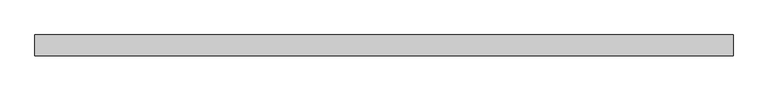
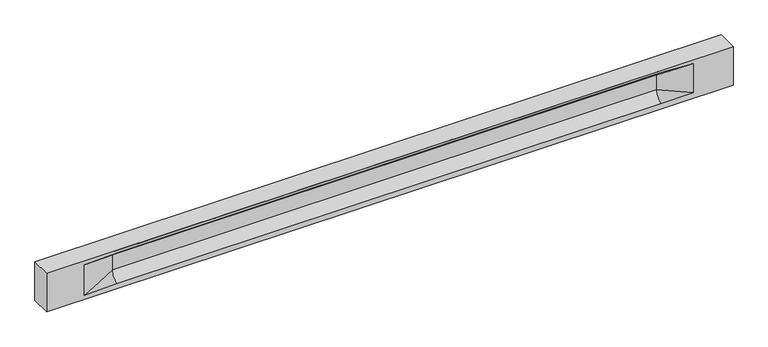
"""IFC4 building model written with IfcOpenShell, lengths in millimetres: beam geometry."""

from ifc_helpers import new_model, si_unit, frame, origin, place, context, project, spatial, polyline, circle_curve, source, transform, mapped, element, save
from ifc_brep_helpers import plane_surface, revolved_surface, spline_surface, advanced_brep


def beam_12b8b677(model_context):
    return source(origin(), model_context, "Body", "AdvancedBrep", [
        advanced_brep(
        [(8437.0, -250.0, 500.0), (8437.0, -250.0, -500.0), (8437.0, 250.0, -500.0), (8437.0, 250.0, 500.0), (-8437.0, -250.0, 500.0), (-8437.0, -250.0, -500.0), (7462.0, -250.0, -362.0), (6662.0, -250.0, -360.0), (-6707.0, -250.0, -360.0), (-7507.0, -250.0, -400.0), (-7507.0, -250.0, 400.0), (-6707.0, -250.0, 435.0), (6662.0, -250.0, 435.0), (7462.0, -250.0, 400.0), (-8437.0, 250.0, -500.0), (-8437.0, 250.0, 500.0), (7462.0, 250.0, 400.0), (6662.0, 250.0, 435.0), (-6707.0, 250.0, 435.0), (-7507.0, 250.0, 400.0), (-7507.0, 250.0, -400.0), (-6707.0, 250.0, -360.0), (6662.0, 250.0, -360.0), (7462.0, 250.0, -362.0), (6662.0, 155.0, 405.0), (-6707.0, 155.0, 405.0), (6662.0, 60.0, 262.777021), (-6707.0, 60.0, 262.777021), (6662.0, 60.0, -120.0), (-6707.0, 60.0, -120.0), (6662.0, -60.0, -120.0), (-6707.0, -60.0, -120.0), (6662.0, -60.0, 262.777021), (-6707.0, -60.0, 262.777021), (6662.0, -155.0, 405.0), (-6707.0, -155.0, 405.0)],
        [
            (0, 1),
            (1, 2),
            (2, 3),
            (3, 0),
            (0, 4),
            (4, 5),
            (5, 1),
            (6, 7),
            (7, 8),
            (8, 9),
            (9, 10),
            (10, 11),
            (11, 12),
            (12, 13),
            (13, 6),
            (5, 14),
            (14, 2),
            (14, 15),
            (15, 3),
            (16, 17),
            (17, 18),
            (18, 19),
            (19, 20),
            (20, 21),
            (21, 22),
            (22, 23),
            (23, 16),
            (15, 4),
            (17, 24),
            (24, 25),
            (25, 18),
            (24, 26, circle_curve(frame((6662.0, 213.9598725, 262.777021), z_axis=(1.0, 0.0, 0.0), x_axis=(0.0, 1.0, 0.0)), 153.9598725)),
            (26, 27),
            (27, 25, circle_curve(frame((-6707.0, 213.9598725, 262.777021), z_axis=(-1.0, 0.0, 0.0), x_axis=(0.0, 1.0, 0.0)), 153.9598725)),
            (26, 28),
            (28, 29),
            (29, 27),
            (28, 22, circle_curve(frame((6662.0, 306.5789474, -120.0), z_axis=(1.0, 0.0, 0.0), x_axis=(0.0, 1.0, 0.0)), 246.5789474)),
            (21, 29, circle_curve(frame((-6707.0, 306.5789474, -120.0), z_axis=(-1.0, 0.0, 0.0), x_axis=(0.0, 1.0, 0.0)), 246.5789474)),
            (7, 30, circle_curve(frame((6662.0, -306.5789474, -120.0), z_axis=(1.0, 0.0, 0.0), x_axis=(0.0, 1.0, 0.0)), 246.5789474)),
            (30, 31),
            (31, 8, circle_curve(frame((-6707.0, -306.5789474, -120.0), z_axis=(-1.0, 0.0, 0.0), x_axis=(0.0, 1.0, 0.0)), 246.5789474)),
            (30, 32),
            (32, 33),
            (33, 31),
            (32, 34, circle_curve(frame((6662.0, -213.9598725, 262.777021), z_axis=(1.0, 0.0, 0.0), x_axis=(0.0, 1.0, 0.0)), 153.9598725)),
            (34, 35),
            (35, 33, circle_curve(frame((-6707.0, -213.9598725, 262.777021), z_axis=(-1.0, 0.0, 0.0), x_axis=(0.0, 1.0, 0.0)), 153.9598725)),
            (34, 12),
            (11, 35),
            (27, 19),
            (19, 25),
            (10, 35),
            (10, 33),
            (9, 31),
            (20, 29),
            (34, 13),
            (32, 13),
            (30, 6),
            (28, 23),
            (26, 16),
            (24, 16),
        ],
        [
            plane_surface(frame((8437.0, 0.0, 0.0), z_axis=(1.0, 0.0, 0.0), x_axis=(0.0, 0.0, 1.0))),
            plane_surface(frame((8437.0, -250.0, 500.0), z_axis=(0.0, -1.0, 0.0), x_axis=(-1.0, 0.0, 0.0))),
            plane_surface(frame((8437.0, -250.0, -500.0), z_axis=(0.0, 0.0, -1.0), x_axis=(-1.0, 0.0, 0.0))),
            plane_surface(frame((8437.0, 250.0, -500.0), z_axis=(0.0, 1.0, 0.0), x_axis=(-1.0, 0.0, 0.0))),
            plane_surface(frame((8437.0, 250.0, 500.0), z_axis=(0.0, 0.0, 1.0), x_axis=(-1.0, 0.0, 0.0))),
            plane_surface(frame((-6707.0, 250.0, 435.0), z_axis=(0.0, 0.30113136793710954, -0.9535826651341378), x_axis=(1.0, 0.0, 0.0))),
            revolved_surface(polyline([(6662.0, 367.919745, 262.777021), (-6707.0, 367.919745, 262.777021)]), (-6707.0, 213.9598725, 262.777021), (1.0, 0.0, 0.0)),
            plane_surface(frame((-6707.0, 60.0, 262.777021), z_axis=(0.0, 1.0, 0.0), x_axis=(1.0, 0.0, 0.0))),
            revolved_surface(polyline([(6662.0, 553.1578948, -120.0), (-6707.0, 553.1578948, -120.0)]), (-6707.0, 306.5789474, -120.0), (1.0, 0.0, 0.0)),
            revolved_surface(polyline([(6662.0, -60.0, -120.0), (-6707.0, -60.0, -120.0)]), (-6707.0, -306.5789474, -120.0), (1.0, 0.0, 0.0)),
            plane_surface(frame((-6707.0, -60.0, -120.0), z_axis=(0.0, -1.0, 0.0), x_axis=(1.0, 0.0, 0.0))),
            revolved_surface(polyline([(6662.0, -60.0, 262.777021), (-6707.0, -60.0, 262.777021)]), (-6707.0, -213.9598725, 262.777021), (1.0, 0.0, 0.0)),
            plane_surface(frame((-6707.0, -155.0, 405.0), z_axis=(0.0, -0.30113136793710693, -0.9535826651341387), x_axis=(1.0, 0.0, 0.0))),
            spline_surface(2, 1, [[(-7507.0, 250.0, 400.0), (-6707.0, 60.0, 262.777021)], [(-7507.0, 250.0, 400.0), (-6707.0, 59.99999995452379, 365.6168572954922)], [(-7507.0, 250.0, 400.0), (-6707.0, 155.0, 405.0)]], [3, 3], [2, 2], [0.0, 1.0], [0.0, 1.0], weights=[[1.0, 1.0], [0.8315515921160737, 0.8315515921160737], [1.0, 1.0]]),
            plane_surface(frame((-7507.0, 250.0, 400.0), z_axis=(0.04168298285568759, 0.30086965068766386, -0.9527538938442265), x_axis=(0.0, 0.9535826651341378, 0.30113136793710954))),
            plane_surface(frame((-7507.0, -250.0, 400.0), z_axis=(0.041682982855687625, -0.30086965068766125, -0.9527538938442274), x_axis=(0.0, 0.9535826651341387, -0.30113136793710693))),
            spline_surface(2, 1, [[(-7507.0, -250.0, 400.0), (-6707.0, -155.0, 405.0)], [(-7507.0, -250.0, 400.0), (-6707.0, -60.00000008030692, 365.6168572114734)], [(-7507.0, -250.0, 400.0), (-6707.0, -60.0, 262.777021)]], [3, 3], [2, 2], [0.0, 1.0], [0.0, 1.0], weights=[[1.0, 1.0], [0.8315515924557569, 0.8315515924557569], [1.0, 1.0]]),
            plane_surface(frame((-7507.0, -250.0, 0.0), z_axis=(0.2310724307958988, -0.9729365507195599, 0.0), x_axis=(0.0, 0.0, -1.0))),
            spline_surface(2, 1, [[(-7507.0, -250.0, -400.0), (-6707.0, -60.0, -120.0)], [(-7507.0, -250.0, -400.0), (-6707.0, -59.99999998020837, -315.20833333333337)], [(-7507.0, -250.0, -400.0), (-6707.0, -250.0, -360.0)]], [3, 3], [2, 2], [0.0, 1.0], [0.0, 1.0], weights=[[1.0, 1.0], [0.7840458244617614, 0.7840458244617614], [1.0, 1.0]]),
            spline_surface(2, 1, [[(-7507.0, 250.0, -400.0), (-6707.0, 250.0, -360.0)], [(-7507.0, 250.0, -400.0), (-6707.0, 60.00000002887427, -315.20833329480604)], [(-7507.0, 250.0, -400.0), (-6707.0, 60.0, -120.0)]], [3, 3], [2, 2], [0.0, 1.0], [0.0, 1.0], weights=[[1.0, 1.0], [0.7840458245391329, 0.7840458245391329], [1.0, 1.0]]),
            plane_surface(frame((-7507.0, 250.0, 0.0), z_axis=(0.23107243079589448, 0.9729365507195609, 0.0), x_axis=(0.0, 0.0, 1.0))),
            plane_surface(frame((-8437.0, 0.0, 0.0), z_axis=(-1.0, 0.0, 0.0), x_axis=(0.0, 0.0, 1.0))),
            plane_surface(frame((6662.0, -202.5, 420.0), z_axis=(-0.041682982855687396, -0.30086965068766125, -0.9527538938442274), x_axis=(0.0, 0.9535826651341387, -0.30113136793710693))),
            spline_surface(2, 1, [[(6662.0, -155.0, 405.0), (7462.0, -250.0, 400.0)], [(6662.0, -60.00000008030692, 365.6168572114734), (7462.0, -250.0, 400.0)], [(6662.0, -60.0, 262.777021), (7462.0, -250.0, 400.0)]], [3, 3], [2, 2], [0.0, 1.0], [0.0, 1.0], weights=[[1.0, 1.0], [0.8315515924557569, 0.8315515924557569], [1.0, 1.0]]),
            plane_surface(frame((6662.0, -60.0, 71.3885105), z_axis=(-0.23107243079589707, -0.9729365507195603, 0.0), x_axis=(0.0, 0.0, -1.0))),
            spline_surface(2, 1, [[(6662.0, -60.0, -120.0), (7462.0, -250.0, -362.0)], [(6662.0, -59.99999998020837, -315.20833333333337), (7462.0, -250.0, -362.0)], [(6662.0, -250.0, -360.0), (7462.0, -250.0, -362.0)]], [3, 3], [2, 2], [0.0, 1.0], [0.0, 1.0], weights=[[1.0, 1.0], [0.7840458244617614, 0.7840458244617614], [1.0, 1.0]]),
            spline_surface(2, 1, [[(6662.0, 250.0, -360.0), (7462.0, 250.0, -362.0)], [(6662.0, 60.00000002887427, -315.20833329480604), (7462.0, 250.0, -362.0)], [(6662.0, 60.0, -120.0), (7462.0, 250.0, -362.0)]], [3, 3], [2, 2], [0.0, 1.0], [0.0, 1.0], weights=[[1.0, 1.0], [0.7840458245391329, 0.7840458245391329], [1.0, 1.0]]),
            plane_surface(frame((6662.0, 60.0, 71.3885105), z_axis=(-0.23107243079589063, 0.9729365507195618, 0.0), x_axis=(0.0, 0.0, 1.0))),
            spline_surface(2, 1, [[(6662.0, 60.0, 262.777021), (7462.0, 250.0, 400.0)], [(6662.0, 59.99999995452379, 365.6168572954922), (7462.0, 250.0, 400.0)], [(6662.0, 155.0, 405.0), (7462.0, 250.0, 400.0)]], [3, 3], [2, 2], [0.0, 1.0], [0.0, 1.0], weights=[[1.0, 1.0], [0.8315515921160737, 0.8315515921160737], [1.0, 1.0]]),
            plane_surface(frame((6662.0, 202.5, 420.0), z_axis=(-0.04168298285568666, 0.30086965068766386, -0.9527538938442265), x_axis=(0.0, 0.9535826651341378, 0.30113136793710954))),
        ],
        [
            (0, [[1, 2, 3, 4]]),
            (1, [[-1, 5, 6, 7], [8, 9, 10, 11, 12, 13, 14, 15]]),
            (2, [[-2, -7, 16, 17]]),
            (3, [[-3, -17, 18, 19], [20, 21, 22, 23, 24, 25, 26, 27]]),
            (4, [[-5, -4, -19, 28]]),
            (5, [[-21, 29, 30, 31]]),
            (6, [[-30, 32, 33, 34]]),
            (7, [[-33, 35, 36, 37]]),
            (8, [[-36, 38, -25, 39]]),
            (9, [[-9, 40, 41, 42]]),
            (10, [[-41, 43, 44, 45]]),
            (11, [[-44, 46, 47, 48]]),
            (12, [[-47, 49, -13, 50]]),
            (13, [[51, 52, -34]]),
            (14, [[-52, -22, -31]]),
            (15, [[-12, 53, -50]]),
            (16, [[-53, 54, -48]]),
            (17, [[-54, -11, 55, -45]]),
            (18, [[-55, -10, -42]]),
            (19, [[-24, 56, -39]]),
            (20, [[-51, -37, -56, -23]]),
            (21, [[-28, -18, -16, -6]]),
            (22, [[-14, -49, 57]]),
            (23, [[-57, -46, 58]]),
            (24, [[-58, -43, 59, -15]]),
            (25, [[-59, -40, -8]]),
            (26, [[-26, -38, 60]]),
            (27, [[-60, -35, 61, -27]]),
            (28, [[-61, -32, 62]]),
            (29, [[-62, -29, -20]]),
        ],
    ),
    ])


if __name__ == "__main__":
    model = new_model("IFC4")
    model_context = context("Model", 3, world=origin())
    ifc_project = project(units=[si_unit("LENGTHUNIT", "METRE", prefix="MILLI")], contexts=[model_context])
    site = spatial("IfcSite", under=ifc_project)
    building = spatial("IfcBuilding", under=site)
    placement = place(None, origin())
    beam_shape = beam_12b8b677(model_context)
    element("IfcBeam", 1, at=placement, inside=building, context=model_context, shape_type="MappedRepresentation", body=[
        mapped(beam_shape, transform((0.0, 0.0, 0.0), x_axis=(1.0, 0.0, 0.0), y_axis=(0.0, 1.0, 0.0), z_axis=(0.0, 0.0, 1.0))),
    ])
    save(model, "model.ifc")
